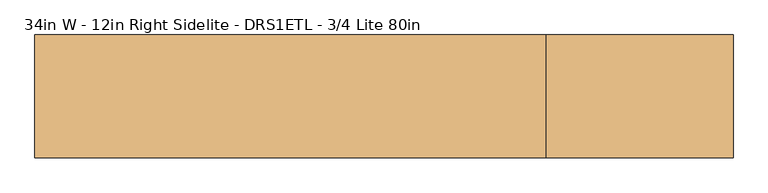
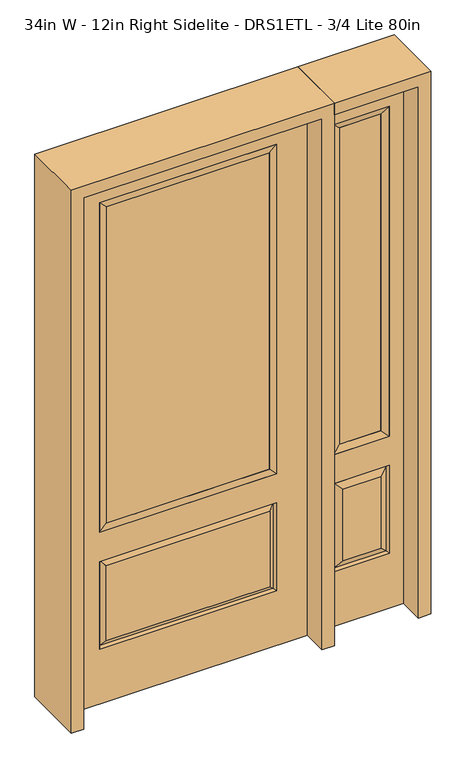
"""IFC4 building model written with IfcOpenShell, lengths in millimetres: door geometry, 34in W - 12in Right Sidelite - DRS1ETL - 3/4 Lite 80in."""

import ifcopenshell
import ifcopenshell.guid

model = None  # the IFC model being written
_history = None  # IfcOwnerHistory: only IFC2X3 demands one
_inside = {}  # id of a spatial element -> (the spatial element, [elements in it])
_under = {}  # id of a project, library or spatial element -> (it, [spatial elements below it])
_declared = {}  # id of a project -> (the project, [libraries it declares])
_typed = {}  # id of a type object -> (the type object, [elements of that type])
_made_of = {}  # id of a material, layer set ... -> (it, [elements and type objects made of it])


def new_model(schema):
    """Start an empty IFC model of exactly this schema.

    Asked for "IFC4X3", IfcOpenShell would pick the latest addendum, in which some entities
    have other attributes; the version numbers below select the first issue.
    IFC2X3 requires an IfcOwnerHistory on every rooted entity: one is made here for all.
    """
    global model, _history
    if schema == "IFC4X3":
        model = ifcopenshell.file(schema_version=(4, 3, 0, 0))
    else:
        model = ifcopenshell.file(schema=schema)
    _inside.clear()
    _under.clear()
    _declared.clear()
    _typed.clear()
    _made_of.clear()
    _history = None
    if model.schema == "IFC2X3":
        org = make("IfcOrganization", Name="unknown")
        user = make(
            "IfcPersonAndOrganization",
            ThePerson=make("IfcPerson", FamilyName="unknown"),
            TheOrganization=org,
        )
        app = make(
            "IfcApplication",
            ApplicationDeveloper=org,
            Version="unknown",
            ApplicationFullName="unknown",
            ApplicationIdentifier="unknown",
        )
        _history = make(
            "IfcOwnerHistory",
            OwningUser=user,
            OwningApplication=app,
            ChangeAction="ADDED",
            CreationDate=0,
        )
    return model


def make(cls, **values):
    """One entity of the class cls with the attributes given. An attribute that is None is left unset."""
    return model.create_entity(
        cls, **{name: value for name, value in values.items() if value is not None}
    )


def rooted(cls, **values):
    """An entity with a GlobalId (a new one), such as an element, a storey or a relation."""
    return make(cls, GlobalId=ifcopenshell.guid.new(), OwnerHistory=_history, **values)


def si_unit(unit_type, name, prefix=None):
    """IfcSIUnit, for example si_unit("LENGTHUNIT", "METRE", prefix="MILLI")."""
    return make("IfcSIUnit", UnitType=unit_type, Prefix=prefix, Name=name)


def assignment(units):
    """IfcUnitAssignment: the units of a project."""
    return None if units is None else make("IfcUnitAssignment", Units=units)


def point(xyz):
    """IfcCartesianPoint."""
    return None if xyz is None else make("IfcCartesianPoint", Coordinates=xyz)


def direction(xyz):
    """IfcDirection."""
    return None if xyz is None else make("IfcDirection", DirectionRatios=xyz)


def frame(location, z_axis=None, x_axis=None):
    """IfcAxis2Placement3D, a coordinate frame: its origin and axes. An axis left out is left unset."""
    return make(
        "IfcAxis2Placement3D",
        Location=point(location),
        Axis=direction(z_axis),
        RefDirection=direction(x_axis),
    )


def origin():
    """The frame at (0, 0, 0) with its axes left unset."""
    return frame((0.0, 0.0, 0.0))


def place(relative_to, where):
    """IfcLocalPlacement: puts the frame where relative to a parent placement (None: the world)."""
    return make(
        "IfcLocalPlacement", PlacementRelTo=relative_to, RelativePlacement=where
    )


def context(
    kind, dimensions, precision=None, world=None, true_north=None, identifier=None
):
    """IfcGeometricRepresentationContext, for example the 3D "Model" context."""
    return make(
        "IfcGeometricRepresentationContext",
        ContextIdentifier=identifier,
        ContextType=kind,
        CoordinateSpaceDimension=dimensions,
        Precision=precision,
        WorldCoordinateSystem=world,
        TrueNorth=true_north,
    )


def project(units=None, contexts=None):
    """IfcProject with its units and contexts."""
    return rooted(
        "IfcProject",
        Name="project",
        RepresentationContexts=contexts,
        UnitsInContext=assignment(units),
    )


def spatial(cls, under=None, at=None, **own):
    """A site, building, storey or space (cls), placed at a placement, below another one or the project."""
    s = rooted(cls, ObjectPlacement=at, **own)
    if under is not None:
        _under.setdefault(under.id(), (under, []))[1].append(s)
    return s


def polyline(points):
    """IfcPolyline through the points."""
    return make("IfcPolyline", Points=[point(p) for p in points])


def outline(outer, holes=None, kind="AREA"):
    """IfcArbitraryClosedProfileDef: a profile drawn as a closed curve; with holes, ...WithVoids."""
    if holes is None:
        return make("IfcArbitraryClosedProfileDef", ProfileType=kind, OuterCurve=outer)
    return make(
        "IfcArbitraryProfileDefWithVoids",
        ProfileType=kind,
        OuterCurve=outer,
        InnerCurves=holes,
    )


def extrude(swept, where, along, depth):
    """IfcExtrudedAreaSolid: the profile swept, set in the frame where, extruded along a direction by depth."""
    return make(
        "IfcExtrudedAreaSolid",
        SweptArea=swept,
        Position=where,
        ExtrudedDirection=direction(along),
        Depth=depth,
    )


def faces_of(points, faces, orient=None, outer=None):
    """IfcFace entities. A face is a list of loops; a loop is a list of indices into points, from 0.

    orient and outer hold one flag for each loop. By default every Orientation is true, the
    first loop of a face is its IfcFaceOuterBound and the others are IfcFaceBound.
    """
    made = []
    for i, loops in enumerate(faces):
        bounds = []
        for j, loop in enumerate(loops):
            is_outer = j == 0 if outer is None else outer[i][j]
            bounds.append(
                make(
                    "IfcFaceOuterBound" if is_outer else "IfcFaceBound",
                    Bound=make("IfcPolyLoop", Polygon=[points[k] for k in loop]),
                    Orientation=True if orient is None else orient[i][j],
                )
            )
        made.append(make("IfcFace", Bounds=bounds))
    return made


def faceted_brep(points, faces, orient=None, outer=None, voids=None):
    """IfcFacetedBrep: a solid bounded by flat faces; with voids (closed shells), ...WithVoids."""
    shared = [point(p) for p in points]
    hull = make("IfcClosedShell", CfsFaces=faces_of(shared, faces, orient, outer))
    if voids is None:
        return make("IfcFacetedBrep", Outer=hull)
    return make(
        "IfcFacetedBrepWithVoids",
        Outer=hull,
        Voids=[
            make(cls, CfsFaces=faces_of(shared, fs, o, b)) for cls, fs, o, b in voids
        ],
    )


def shape(context_of_items, identifier, shape_type, items):
    """IfcShapeRepresentation: the items that make up one representation, for example the "Body"."""
    return make(
        "IfcShapeRepresentation",
        ContextOfItems=context_of_items,
        RepresentationIdentifier=identifier,
        RepresentationType=shape_type,
        Items=items,
    )


def source(mapping_origin, context_of_items, identifier, shape_type, items):
    """IfcRepresentationMap: a shape defined once, which mapped items show again and again."""
    return make(
        "IfcRepresentationMap",
        MappingOrigin=mapping_origin,
        MappedRepresentation=shape(context_of_items, identifier, shape_type, items),
    )


def transform(
    local_origin,
    x_axis=None,
    y_axis=None,
    z_axis=None,
    scale=None,
    scale2=None,
    scale3=None,
    uniform=True,
):
    """IfcCartesianTransformationOperator3D, or its non-uniform kind. x_axis, y_axis, z_axis: its Axis1, 2, 3."""
    if uniform:
        return make(
            "IfcCartesianTransformationOperator3D",
            Axis1=direction(x_axis),
            Axis2=direction(y_axis),
            LocalOrigin=point(local_origin),
            Scale=scale,
            Axis3=direction(z_axis),
        )
    return make(
        "IfcCartesianTransformationOperator3DnonUniform",
        Axis1=direction(x_axis),
        Axis2=direction(y_axis),
        LocalOrigin=point(local_origin),
        Scale=scale,
        Axis3=direction(z_axis),
        Scale2=scale2,
        Scale3=scale3,
    )


def mapped(mapping_source, mapping_target):
    """IfcMappedItem: shows the shape of a source again, moved by a transform."""
    return make(
        "IfcMappedItem", MappingSource=mapping_source, MappingTarget=mapping_target
    )


def made_of(thing, what):
    """Note that an element or type object is made of a material, layer set ...; save() writes the relation."""
    if what is not None:
        _made_of.setdefault(what.id(), (what, []))[1].append(thing)
    return thing


def element(
    cls,
    number,
    at=None,
    inside=None,
    cuts=None,
    type_object=None,
    material=None,
    context=None,
    identifier="Body",
    shape_type=None,
    held_by="IfcProductDefinitionShape",
    body=None,
    shapes=None,
    **own,
):
    """One element of the class cls, such as IfcWall. Its Tag is "e" and its number.

    at: its placement. inside: the storey or other place that contains it. cuts: it is an
    opening in that element (IfcRelVoidsElement). A single representation is given by context,
    identifier, shape_type and body (its items); several are given by shapes. held_by: the class
    of the entity that holds the representations. save() writes the other relations.
    """
    e = rooted(cls, Tag="e%d" % number, ObjectPlacement=at, **own)
    if body is not None:
        shapes = [shape(context, identifier, shape_type, body)]
    if shapes is not None:
        e.Representation = make(held_by, Representations=shapes)
    if inside is not None:
        _inside.setdefault(inside.id(), (inside, []))[1].append(e)
    if cuts is not None:
        rooted(
            "IfcRelVoidsElement", RelatingBuildingElement=cuts, RelatedOpeningElement=e
        )
    if type_object is not None:
        _typed.setdefault(type_object.id(), (type_object, []))[1].append(e)
    return made_of(e, material)


def aggregate(whole, parts):
    """IfcRelAggregates: a whole, such as a stair, and the parts it consists of."""
    return rooted("IfcRelAggregates", RelatingObject=whole, RelatedObjects=parts)


def save(model, path):
    """Write the relations noted so far, then the file.

    IfcRelAggregates (storeys below a building ...), IfcRelContainedInSpatialStructure (elements
    in a storey), IfcRelDefinesByType, IfcRelAssociatesMaterial and IfcRelDeclares: one each for
    every whole, place, type object, material and project.
    """
    for whole, parts in _under.values():
        aggregate(whole, parts)
    for where, things in _inside.values():
        rooted(
            "IfcRelContainedInSpatialStructure",
            RelatedElements=things,
            RelatingStructure=where,
        )
    for kind, things in _typed.values():
        rooted("IfcRelDefinesByType", RelatedObjects=things, RelatingType=kind)
    for what, things in _made_of.values():
        rooted("IfcRelAssociatesMaterial", RelatedObjects=things, RelatingMaterial=what)
    for by, libraries in _declared.values():
        rooted("IfcRelDeclares", RelatingContext=by, RelatedDefinitions=libraries)
    model.write(path)


def door_34in_w_12in_right_sidelite_drs1etl_3_4_lite_80in_88b004ab(model_context):
    return source(origin(), model_context, "Body", "SolidModel", [
        faceted_brep([(476.25, -22.225, 0.0), (781.05, -22.225, 0.0), (781.05, -22.225, 2032.0), (476.25, -22.225, 2032.0), (728.98, -22.225, 1919.224), (728.98, -22.225, 657.098), (528.32, -22.225, 657.098), (528.32, -22.225, 1919.224), (728.98, -22.225, 209.55), (528.32, -22.225, 209.55), (528.32, -22.225, 546.1), (728.98, -22.225, 546.1), (560.0351001, -22.225, 241.2651001), (697.2648999, -22.225, 241.2651001), (697.2648999, -22.225, 514.3848999), (560.0351001, -22.225, 514.3848999), (476.25, 22.225, 0.0), (476.25, 22.225, 2032.0), (781.05, 22.225, 2032.0), (781.05, 22.225, 0.0), (728.98, 22.225, 1919.224), (528.32, 22.225, 1919.224), (528.32, 22.225, 657.098), (728.98, 22.225, 657.098), (528.32, 22.225, 209.55), (728.98, 22.225, 209.55), (728.98, 22.225, 546.1), (528.32, 22.225, 546.1), (697.2648999, 22.225, 241.2651001), (560.0351001, 22.225, 241.2651001), (560.0351001, 22.225, 514.3848999), (697.2648999, 22.225, 514.3848999), (721.8711499, 12.7912373, 216.6588501), (535.4288501, 12.7912373, 216.6588501), (535.4288501, 12.7912373, 538.9911499), (721.8711499, 12.7912373, 538.9911499), (535.4288501, -12.7912373, 216.6588501), (721.8711499, -12.7912373, 216.6588501), (535.4288501, -12.7912373, 538.9911499), (721.8711499, -12.7912373, 538.9911499)], [[[0, 1, 2, 3], [4, 5, 6, 7], [8, 9, 10, 11]], [[12, 13, 14, 15]], [[16, 17, 18, 19], [20, 21, 22, 23], [24, 25, 26, 27]], [[28, 29, 30, 31]], [[1, 0, 16, 19]], [[2, 1, 19, 18]], [[3, 2, 18, 17]], [[0, 3, 17, 16]], [[5, 4, 20, 23]], [[6, 5, 23, 22]], [[7, 6, 22, 21]], [[4, 7, 21, 20]], [[32, 33, 29, 28]], [[33, 32, 25, 24]], [[29, 33, 34, 30]], [[33, 24, 27, 34]], [[30, 34, 35, 31]], [[34, 27, 26, 35]], [[32, 28, 31, 35]], [[25, 32, 35, 26]], [[12, 36, 37, 13]], [[37, 36, 9, 8]], [[36, 12, 15, 38]], [[9, 36, 38, 10]], [[38, 15, 14, 39]], [[10, 38, 39, 11]], [[13, 37, 39, 14]], [[37, 8, 11, 39]]]),
        faceted_brep([(528.32, 22.225, 1919.224), (528.32, -22.225, 1919.224), (728.98, -22.225, 1919.224), (728.98, 22.225, 1919.224), (553.72, 12.7, 1893.824), (703.58, 12.7, 1893.824), (553.72, -12.7, 1893.824), (703.58, -12.7, 1893.824), (728.98, -22.225, 657.098), (728.98, 22.225, 657.098), (703.58, 12.7, 682.498), (703.58, -12.7, 682.498), (528.32, -22.225, 657.098), (528.32, 22.225, 657.098), (553.72, 12.7, 682.498), (553.72, -12.7, 682.498)], [[[0, 1, 2, 3]], [[4, 0, 3, 5]], [[6, 4, 5, 7]], [[1, 6, 7, 2]], [[3, 2, 8, 9]], [[5, 3, 9, 10]], [[7, 5, 10, 11]], [[2, 7, 11, 8]], [[9, 8, 12, 13]], [[10, 9, 13, 14]], [[11, 10, 14, 15]], [[8, 11, 15, 12]], [[13, 12, 1, 0]], [[14, 13, 0, 4]], [[15, 14, 4, 6]], [[12, 15, 6, 1]]]),
        extrude(outline(polyline([(703.58, -12.7), (553.72, -12.7), (553.72, 12.7), (703.58, 12.7), (703.58, -12.7)])), frame((0.0, 0.0, 682.498), z_axis=(0.0, 0.0, 1.0), x_axis=(1.0, 0.0, 0.0)), (0.0, 0.0, 1.0), 1211.326),
        faceted_brep([(-313.5661499, -12.7912373, 216.6588501), (313.5661499, -12.7912373, 216.6588501), (296.06875, -22.225, 234.15625), (-296.06875, -22.225, 234.15625), (-320.675, -22.225, 209.55), (320.675, -22.225, 209.55), (-313.5661499, -12.7912373, 538.9911499), (-320.675, -22.225, 546.1), (296.06875, -22.225, 521.49375), (-296.06875, -22.225, 521.49375), (431.8, -22.225, 2032.0), (-431.8, -22.225, 2032.0), (-431.8, -22.225, 0.0), (431.8, -22.225, 0.0), (320.675, -22.225, 546.1), (320.675, -22.225, 1917.7), (320.675, -22.225, 657.098), (-320.675, -22.225, 657.098), (-320.675, -22.225, 1917.7), (313.5661499, -12.7912373, 538.9911499), (-431.8, 22.225, 2032.0), (-431.8, 22.225, 0.0), (431.8, 22.225, 0.0), (431.8, 22.225, 2032.0), (320.675, 22.225, 1917.7), (320.675, 22.225, 657.098), (-320.675, 22.225, 657.098), (-320.675, 22.225, 1917.7), (-320.675, 22.225, 209.55), (320.675, 22.225, 209.55), (320.675, 22.225, 546.1), (-320.675, 22.225, 546.1), (296.06875, 22.225, 234.15625), (-296.06875, 22.225, 234.15625), (-296.06875, 22.225, 521.49375), (296.06875, 22.225, 521.49375), (-313.5661499, 12.7912373, 216.6588501), (313.5661499, 12.7912373, 216.6588501), (313.5661499, 12.7912373, 538.9911499), (-313.5661499, 12.7912373, 538.9911499)], [[[0, 1, 2, 3]], [[1, 0, 4, 5]], [[4, 0, 6, 7]], [[3, 2, 8, 9]], [[10, 11, 12, 13], [5, 4, 7, 14], [15, 16, 17, 18]], [[1, 5, 14, 19]], [[2, 1, 19, 8]], [[0, 3, 9, 6]], [[7, 6, 19, 14]], [[6, 9, 8, 19]], [[12, 11, 20, 21]], [[13, 12, 21, 22]], [[10, 13, 22, 23]], [[16, 15, 24, 25]], [[17, 16, 25, 26]], [[18, 17, 26, 27]], [[23, 22, 21, 20], [28, 29, 30, 31], [24, 27, 26, 25]], [[32, 33, 34, 35]], [[28, 36, 37, 29]], [[29, 37, 38, 30]], [[39, 31, 30, 38]], [[36, 28, 31, 39]], [[37, 36, 33, 32]], [[33, 36, 39, 34]], [[34, 39, 38, 35]], [[37, 32, 35, 38]], [[11, 10, 23, 20]], [[15, 18, 27, 24]]]),
        faceted_brep([(-320.675, -22.225, 1917.7), (-320.675, 22.225, 1917.7), (-320.675, 22.225, 657.098), (-320.675, -22.225, 657.098), (320.675, 22.225, 657.098), (320.675, -22.225, 657.098), (-295.275, 5.08, 682.498), (295.275, 5.08, 682.498), (320.675, 22.225, 1917.7), (320.675, -22.225, 1917.7), (-295.275, -20.32, 682.498), (295.275, -20.32, 682.498), (-295.275, -20.32, 1892.3), (295.275, -20.32, 1892.3), (-295.275, 5.08, 1892.3), (295.275, 5.08, 1892.3)], [[[0, 1, 2, 3]], [[3, 2, 4, 5]], [[2, 6, 7, 4]], [[5, 4, 8, 9]], [[10, 3, 5, 11]], [[12, 0, 3, 10]], [[11, 5, 9, 13]], [[6, 10, 11, 7]], [[14, 12, 10, 6]], [[7, 11, 13, 15]], [[1, 14, 6, 2]], [[4, 7, 15, 8]], [[9, 8, 1, 0]], [[13, 9, 0, 12]], [[15, 13, 12, 14]], [[8, 15, 14, 1]]]),
        extrude(outline(polyline([(295.275, -20.32), (-295.275, -20.32), (-295.275, 5.08), (295.275, 5.08), (295.275, -20.32)])), frame((0.0, 0.0, 682.498), z_axis=(0.0, 0.0, 1.0), x_axis=(1.0, 0.0, 0.0)), (0.0, 0.0, 1.0), 1209.802),
        extrude(outline(polyline([(2076.45, -476.25), (0.0, -476.25), (0.0, -431.8), (2032.0, -431.8), (2032.0, 431.8), (0.0, 431.8), (0.0, 476.25), (2076.45, 476.25), (2076.45, -476.25)])), frame((0.0, -114.3, 0.0), z_axis=(0.0, 1.0, 0.0), x_axis=(0.0, 0.0, 1.0)), (0.0, 0.0, 1.0), 228.6),
        extrude(outline(polyline([(0.0, 781.05), (0.0, 825.5), (2076.45, 825.5), (2076.45, 476.25), (2032.0, 476.25), (2032.0, 781.05), (0.0, 781.05)])), frame((0.0, -114.3, 0.0), z_axis=(0.0, 1.0, 0.0), x_axis=(0.0, 0.0, 1.0)), (0.0, 0.0, 1.0), 228.6),
    ])


if __name__ == "__main__":
    model = new_model("IFC4")
    model_context = context("Model", 3, world=origin())
    ifc_project = project(units=[si_unit("LENGTHUNIT", "METRE", prefix="MILLI")], contexts=[model_context])
    site = spatial("IfcSite", under=ifc_project)
    building = spatial("IfcBuilding", under=site)
    placement = place(None, origin())
    door_34in_w_12in_right_sidelite_drs1etl_3_4_lite_80in_shape = door_34in_w_12in_right_sidelite_drs1etl_3_4_lite_80in_88b004ab(model_context)
    element("IfcDoor", 1, ObjectType="34in W - 12in Right Sidelite - DRS1ETL - 3/4 Lite 80in", at=placement, inside=building, context=model_context, shape_type="MappedRepresentation", body=[
        mapped(door_34in_w_12in_right_sidelite_drs1etl_3_4_lite_80in_shape, transform((0.0, 0.0, 0.0), x_axis=(1.0, 0.0, 0.0), y_axis=(0.0, 1.0, 0.0), z_axis=(0.0, 0.0, 1.0))),
    ])
    save(model, "model.ifc")
